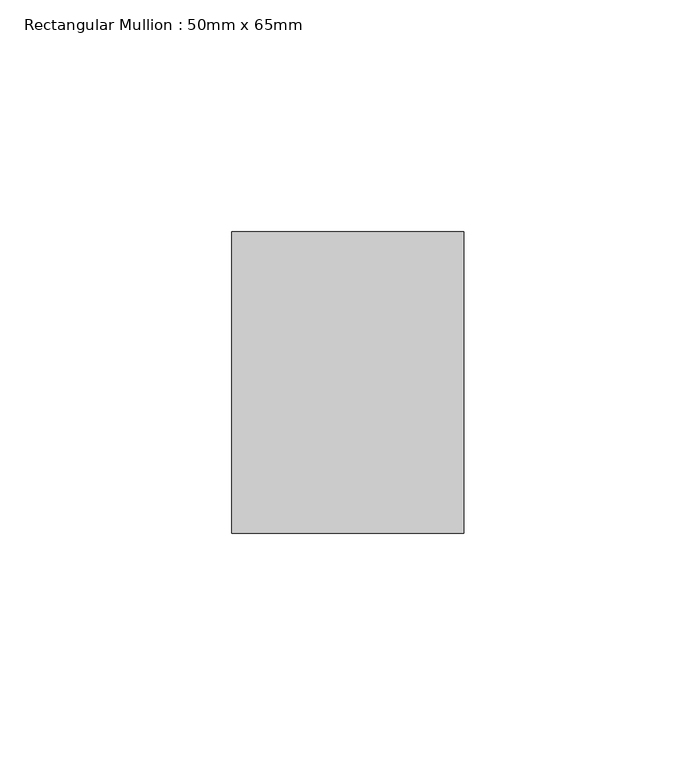
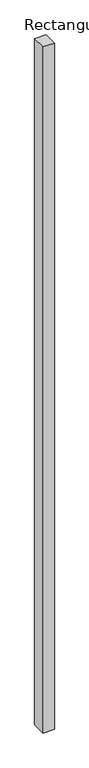
"""IFC4 building model written with IfcOpenShell, lengths in millimetres: member geometry, Rectangular Mullion : 50mm x 65mm."""

from ifc_helpers import new_model, si_unit, frame, origin, place, context, project, spatial, polyline, outline, extrude, source, transform, mapped, element, save


def rectangular_mullion_50mm_x_65mm_85d29cc4(model_context):
    return source(origin(), model_context, "Body", "SweptSolid", [
        extrude(outline(polyline([(25.0, 32.5), (25.0, -32.5), (-25.0, -32.5), (-25.0, 32.5), (25.0, 32.5)])), frame((0.0, 0.0, -3235.2665608), z_axis=(0.0, 0.0, 1.0), x_axis=(1.0, 0.0, 0.0)), (0.0, 0.0, 1.0), 3235.2665608),
    ])


if __name__ == "__main__":
    model = new_model("IFC4")
    model_context = context("Model", 3, world=origin())
    ifc_project = project(units=[si_unit("LENGTHUNIT", "METRE", prefix="MILLI")], contexts=[model_context])
    site = spatial("IfcSite", under=ifc_project)
    building = spatial("IfcBuilding", under=site)
    placement = place(None, origin())
    rectangular_mullion_50mm_x_65mm_shape = rectangular_mullion_50mm_x_65mm_85d29cc4(model_context)
    element("IfcMember", 1, ObjectType="Rectangular Mullion : 50mm x 65mm", at=placement, inside=building, context=model_context, shape_type="MappedRepresentation", body=[
        mapped(rectangular_mullion_50mm_x_65mm_shape, transform((0.0, 0.0, 0.0), x_axis=(1.0, 0.0, 0.0), y_axis=(0.0, 1.0, 0.0), z_axis=(0.0, 0.0, 1.0))),
    ])
    save(model, "model.ifc")
